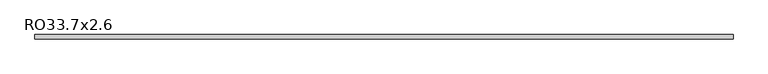
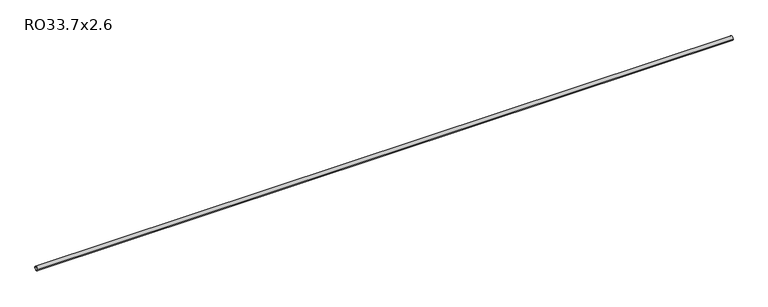
"""IFC4 building model written with IfcOpenShell, lengths in millimetres: member geometry, RO33.7x2.6."""

from ifc_helpers import new_model, si_unit, point, frame, origin, origin_2d, place, context, project, spatial, circle_curve, trimmed, segment, composite_curve, outline, extrude, source, transform, mapped, element, save


def ro33_7x2_6_66155343(model_context):
    return source(origin(), model_context, "Body", "SweptSolid", [
        extrude(outline(composite_curve([segment(trimmed(circle_curve(origin_2d(), 16.85), [point((16.85, 0.0))], [point((-16.85, 0.0))], False, "CARTESIAN"), True, "CONTINUOUS"), segment(trimmed(circle_curve(origin_2d(), 16.85), [point((-16.85, 0.0))], [point((16.85, 0.0))], False, "CARTESIAN"), True, "CONTINUOUS")], self_intersect=False), holes=[composite_curve([segment(trimmed(circle_curve(origin_2d(), 14.25), [point((-14.25, 0.0))], [point((14.25, 0.0))], True, "CARTESIAN"), True, "CONTINUOUS"), segment(trimmed(circle_curve(origin_2d(), 14.25), [point((14.25, 0.0))], [point((-14.25, 0.0))], True, "CARTESIAN"), True, "CONTINUOUS")], self_intersect=False)]), frame((-2780.4, 0.0, 0.0), z_axis=(1.0, 0.0, 0.0), x_axis=(0.0, 1.0, 0.0)), (0.0, 0.0, 1.0), 5560.8),
    ])


if __name__ == "__main__":
    model = new_model("IFC4")
    model_context = context("Model", 3, world=origin())
    ifc_project = project(units=[si_unit("LENGTHUNIT", "METRE", prefix="MILLI")], contexts=[model_context])
    site = spatial("IfcSite", under=ifc_project)
    building = spatial("IfcBuilding", under=site)
    placement = place(None, origin())
    ro33_7x2_6_shape = ro33_7x2_6_66155343(model_context)
    element("IfcMember", 1, ObjectType="RO33.7x2.6", at=placement, inside=building, context=model_context, shape_type="MappedRepresentation", body=[
        mapped(ro33_7x2_6_shape, transform((0.0, 0.0, 0.0), x_axis=(1.0, 0.0, 0.0), y_axis=(0.0, 1.0, 0.0), z_axis=(0.0, 0.0, 1.0))),
    ])
    save(model, "model.ifc")
